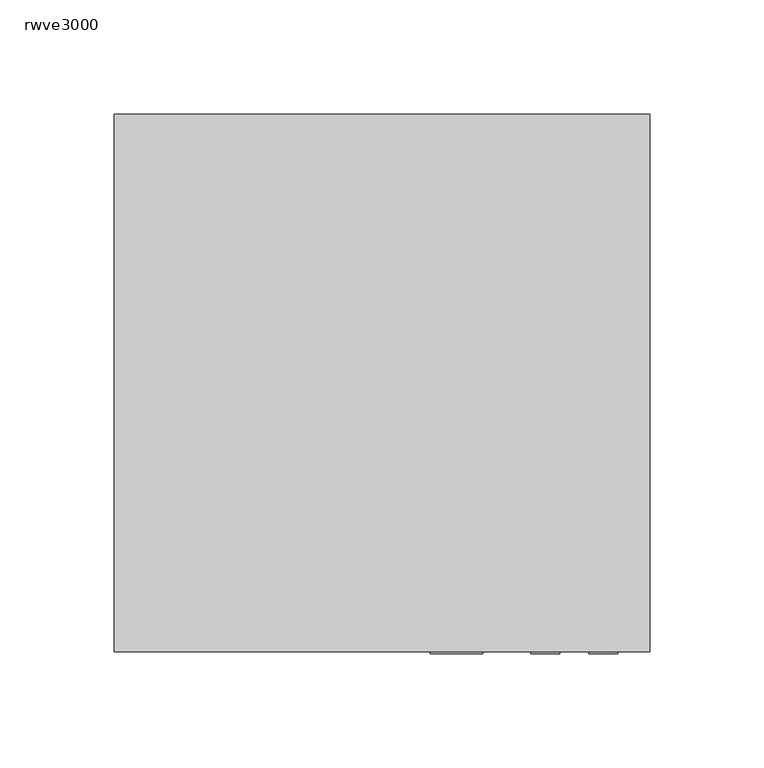
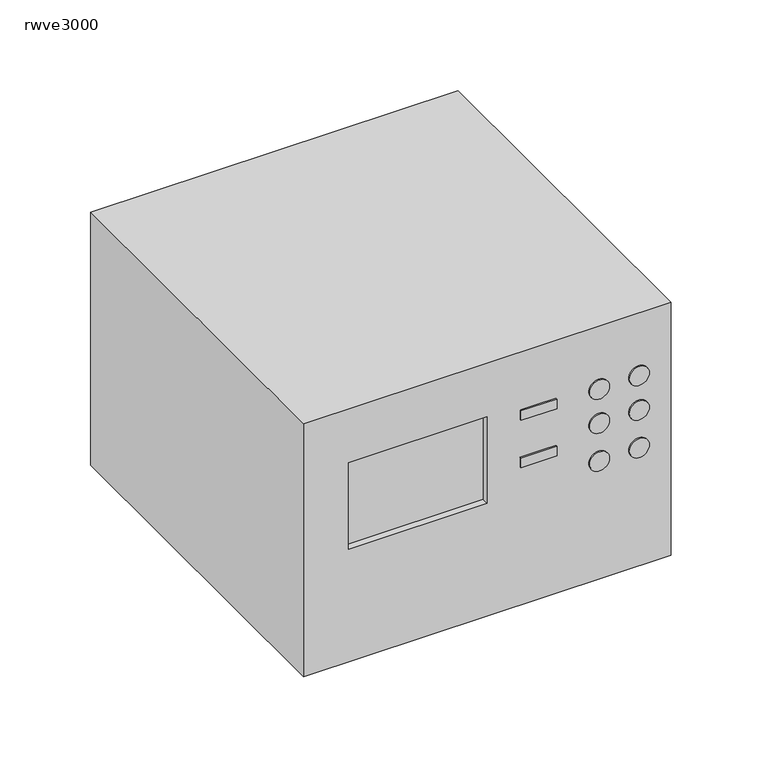
"""IFC4 building model written with IfcOpenShell, lengths in millimetres: proxy geometry, rwve3000."""

from ifc_helpers import new_model, si_unit, point, frame, frame_2d, origin, place, context, project, spatial, polyline, circle_curve, trimmed, segment, composite_curve, outline, extrude, faceted_brep, source, transform, mapped, element, save


def rwve3000_327186c0(model_context):
    return source(origin(), model_context, "Body", "SolidModel", [
        extrude(outline(composite_curve([segment(trimmed(circle_curve(frame_2d((1256.9654531, 71.304838)), 6.35), [point((1256.9654531, 64.954838))], [point((1256.9654531, 77.654838))], False, "CARTESIAN"), True, "CONTINUOUS"), segment(trimmed(circle_curve(frame_2d((1256.9654531, 71.304838)), 6.35), [point((1256.9654531, 77.654838))], [point((1256.9654531, 64.954838))], False, "CARTESIAN"), True, "CONTINUOUS")], self_intersect=False)), frame((0.0, -118.1787633, 0.0), z_axis=(0.0, 1.0, 0.0), x_axis=(0.0, 0.0, 1.0)), (0.0, 0.0, 1.0), 15.5917105),
        extrude(outline(composite_curve([segment(trimmed(circle_curve(frame_2d((1234.0067934, 71.304838)), 6.35), [point((1234.0067934, 64.954838))], [point((1234.0067934, 77.654838))], False, "CARTESIAN"), True, "CONTINUOUS"), segment(trimmed(circle_curve(frame_2d((1234.0067934, 71.304838)), 6.35), [point((1234.0067934, 77.654838))], [point((1234.0067934, 64.954838))], False, "CARTESIAN"), True, "CONTINUOUS")], self_intersect=False)), frame((0.0, -118.1787633, 0.0), z_axis=(0.0, 1.0, 0.0), x_axis=(0.0, 0.0, 1.0)), (0.0, 0.0, 1.0), 15.5917105),
        extrude(outline(composite_curve([segment(trimmed(circle_curve(frame_2d((1208.6067934, 71.304838)), 6.35), [point((1208.6067934, 64.954838))], [point((1208.6067934, 77.654838))], False, "CARTESIAN"), True, "CONTINUOUS"), segment(trimmed(circle_curve(frame_2d((1208.6067934, 71.304838)), 6.35), [point((1208.6067934, 77.654838))], [point((1208.6067934, 64.954838))], False, "CARTESIAN"), True, "CONTINUOUS")], self_intersect=False)), frame((0.0, -118.1787633, 0.0), z_axis=(0.0, 1.0, 0.0), x_axis=(0.0, 0.0, 1.0)), (0.0, 0.0, 1.0), 15.5917105),
        extrude(outline(composite_curve([segment(trimmed(circle_curve(frame_2d((1208.6067934, 96.704838)), 6.35), [point((1208.6067934, 90.354838))], [point((1208.6067934, 103.054838))], False, "CARTESIAN"), True, "CONTINUOUS"), segment(trimmed(circle_curve(frame_2d((1208.6067934, 96.704838)), 6.35), [point((1208.6067934, 103.054838))], [point((1208.6067934, 90.354838))], False, "CARTESIAN"), True, "CONTINUOUS")], self_intersect=False)), frame((0.0, -118.1787633, 0.0), z_axis=(0.0, 1.0, 0.0), x_axis=(0.0, 0.0, 1.0)), (0.0, 0.0, 1.0), 15.5917105),
        extrude(outline(composite_curve([segment(trimmed(circle_curve(frame_2d((1234.0067934, 96.704838)), 6.35), [point((1234.0067934, 90.354838))], [point((1234.0067934, 103.054838))], False, "CARTESIAN"), True, "CONTINUOUS"), segment(trimmed(circle_curve(frame_2d((1234.0067934, 96.704838)), 6.35), [point((1234.0067934, 103.054838))], [point((1234.0067934, 90.354838))], False, "CARTESIAN"), True, "CONTINUOUS")], self_intersect=False)), frame((0.0, -118.1787633, 0.0), z_axis=(0.0, 1.0, 0.0), x_axis=(0.0, 0.0, 1.0)), (0.0, 0.0, 1.0), 15.5917105),
        extrude(outline(composite_curve([segment(trimmed(circle_curve(frame_2d((1257.1949137, 96.704838)), 6.35), [point((1257.1949137, 90.354838))], [point((1257.1949137, 103.054838))], False, "CARTESIAN"), True, "CONTINUOUS"), segment(trimmed(circle_curve(frame_2d((1257.1949137, 96.704838)), 6.35), [point((1257.1949137, 103.054838))], [point((1257.1949137, 90.354838))], False, "CARTESIAN"), True, "CONTINUOUS")], self_intersect=False)), frame((0.0, -118.1787633, 0.0), z_axis=(0.0, 1.0, 0.0), x_axis=(0.0, 0.0, 1.0)), (0.0, 0.0, 1.0), 15.5917105),
        extrude(outline(polyline([(43.9378044, -118.1787633), (21.196185, -118.1787633), (21.196185, -102.5870527), (43.9378044, -102.5870527), (43.9378044, -118.1787633)])), frame((0.0, 0.0, 1221.9490626), z_axis=(0.0, 0.0, 1.0), x_axis=(1.0, 0.0, 0.0)), (0.0, 0.0, 1.0), 6.35),
        extrude(outline(polyline([(43.9378044, -118.1787633), (21.196185, -118.1787633), (21.196185, -102.5870527), (43.9378044, -102.5870527), (43.9378044, -118.1787633)])), frame((0.0, 0.0, 1253.6990626), z_axis=(0.0, 0.0, 1.0), x_axis=(1.0, 0.0, 0.0)), (0.0, 0.0, 1.0), 6.35),
        extrude(outline(polyline([(-3.0757812, -102.5870527), (-85.3113079, -102.5870527), (-85.3113079, -73.3419878), (-3.0757812, -73.3419878), (-3.0757812, -102.5870527)])), frame((0.0, 0.0, 1208.1024009), z_axis=(0.0, 0.0, 1.0), x_axis=(1.0, 0.0, 0.0)), (0.0, 0.0, 1.0), 51.8258979),
        extrude(outline(polyline([(-1.0504225, -114.9280957), (-87.4908871, -114.9280957), (-87.4908871, -102.5870527), (-1.0504225, -102.5870527), (-1.0504225, -114.9280957)])), frame((0.0, 0.0, 1206.2551188), z_axis=(0.0, 0.0, 1.0), x_axis=(1.0, 0.0, 0.0)), (0.0, 0.0, 1.0), 55.5233823),
        faceted_brep([(116.967, 117.475, 1299.245625), (-116.967, 117.475, 1299.245625), (-116.967, -117.475, 1299.245625), (116.967, -117.475, 1299.245625), (116.967, 117.475, 1129.0854688), (116.967, -117.475, 1129.0854688), (-116.967, -117.475, 1129.0854688), (-116.967, 117.475, 1129.0854688), (0.0, -117.475, 1263.0040801), (0.0, -117.475, 1205.0266197), (-88.3870892, -117.475, 1205.0266197), (-88.3870892, -117.475, 1263.0040801), (0.0, -73.3419878, 1263.0040801), (-88.3870892, -73.3419878, 1263.0040801), (-88.3870892, -73.3419878, 1205.0266197), (0.0, -73.3419878, 1205.0266197)], [[[0, 1, 2, 3]], [[4, 5, 6, 7]], [[1, 0, 4, 7]], [[2, 1, 7, 6]], [[3, 2, 6, 5], [8, 9, 10, 11]], [[0, 3, 5, 4]], [[12, 13, 14, 15]], [[12, 15, 9, 8]], [[15, 14, 10, 9]], [[14, 13, 11, 10]], [[13, 12, 8, 11]]]),
    ])


if __name__ == "__main__":
    model = new_model("IFC4")
    model_context = context("Model", 3, world=origin())
    ifc_project = project(units=[si_unit("LENGTHUNIT", "METRE", prefix="MILLI")], contexts=[model_context])
    site = spatial("IfcSite", under=ifc_project)
    building = spatial("IfcBuilding", under=site)
    placement = place(None, origin())
    rwve3000_shape = rwve3000_327186c0(model_context)
    element("IfcBuildingElementProxy", 1, Name="rwve3000", ObjectType="rwve3000", at=placement, inside=building, context=model_context, shape_type="MappedRepresentation", body=[
        mapped(rwve3000_shape, transform((0.0, 0.0, 0.0), x_axis=(1.0, 0.0, 0.0), y_axis=(0.0, 1.0, 0.0), z_axis=(0.0, 0.0, 1.0))),
    ])
    save(model, "model.ifc")
